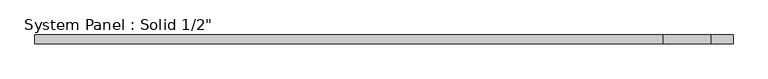
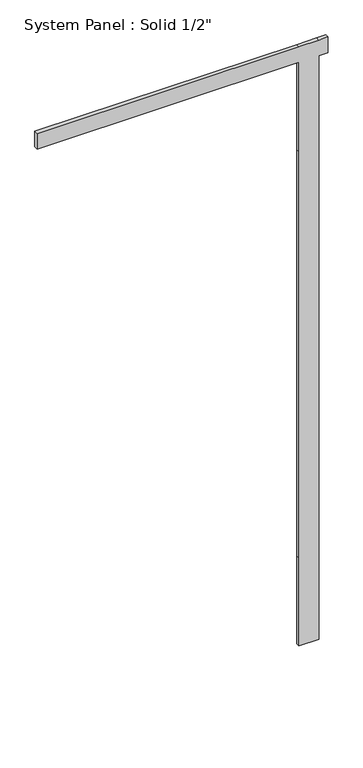
"""IFC4 building model written with IfcOpenShell, lengths in millimetres: plate geometry."""

import ifcopenshell
import ifcopenshell.guid

model = None  # the IFC model being written
_history = None  # IfcOwnerHistory: only IFC2X3 demands one
_inside = {}  # id of a spatial element -> (the spatial element, [elements in it])
_under = {}  # id of a project, library or spatial element -> (it, [spatial elements below it])
_declared = {}  # id of a project -> (the project, [libraries it declares])
_typed = {}  # id of a type object -> (the type object, [elements of that type])
_made_of = {}  # id of a material, layer set ... -> (it, [elements and type objects made of it])


def new_model(schema):
    """Start an empty IFC model of exactly this schema.

    Asked for "IFC4X3", IfcOpenShell would pick the latest addendum, in which some entities
    have other attributes; the version numbers below select the first issue.
    IFC2X3 requires an IfcOwnerHistory on every rooted entity: one is made here for all.
    """
    global model, _history
    if schema == "IFC4X3":
        model = ifcopenshell.file(schema_version=(4, 3, 0, 0))
    else:
        model = ifcopenshell.file(schema=schema)
    _inside.clear()
    _under.clear()
    _declared.clear()
    _typed.clear()
    _made_of.clear()
    _history = None
    if model.schema == "IFC2X3":
        org = make("IfcOrganization", Name="unknown")
        user = make(
            "IfcPersonAndOrganization",
            ThePerson=make("IfcPerson", FamilyName="unknown"),
            TheOrganization=org,
        )
        app = make(
            "IfcApplication",
            ApplicationDeveloper=org,
            Version="unknown",
            ApplicationFullName="unknown",
            ApplicationIdentifier="unknown",
        )
        _history = make(
            "IfcOwnerHistory",
            OwningUser=user,
            OwningApplication=app,
            ChangeAction="ADDED",
            CreationDate=0,
        )
    return model


def make(cls, **values):
    """One entity of the class cls with the attributes given. An attribute that is None is left unset."""
    return model.create_entity(
        cls, **{name: value for name, value in values.items() if value is not None}
    )


def rooted(cls, **values):
    """An entity with a GlobalId (a new one), such as an element, a storey or a relation."""
    return make(cls, GlobalId=ifcopenshell.guid.new(), OwnerHistory=_history, **values)


def si_unit(unit_type, name, prefix=None):
    """IfcSIUnit, for example si_unit("LENGTHUNIT", "METRE", prefix="MILLI")."""
    return make("IfcSIUnit", UnitType=unit_type, Prefix=prefix, Name=name)


def assignment(units):
    """IfcUnitAssignment: the units of a project."""
    return None if units is None else make("IfcUnitAssignment", Units=units)


def point(xyz):
    """IfcCartesianPoint."""
    return None if xyz is None else make("IfcCartesianPoint", Coordinates=xyz)


def direction(xyz):
    """IfcDirection."""
    return None if xyz is None else make("IfcDirection", DirectionRatios=xyz)


def frame(location, z_axis=None, x_axis=None):
    """IfcAxis2Placement3D, a coordinate frame: its origin and axes. An axis left out is left unset."""
    return make(
        "IfcAxis2Placement3D",
        Location=point(location),
        Axis=direction(z_axis),
        RefDirection=direction(x_axis),
    )


def origin():
    """The frame at (0, 0, 0) with its axes left unset."""
    return frame((0.0, 0.0, 0.0))


def place(relative_to, where):
    """IfcLocalPlacement: puts the frame where relative to a parent placement (None: the world)."""
    return make(
        "IfcLocalPlacement", PlacementRelTo=relative_to, RelativePlacement=where
    )


def context(
    kind, dimensions, precision=None, world=None, true_north=None, identifier=None
):
    """IfcGeometricRepresentationContext, for example the 3D "Model" context."""
    return make(
        "IfcGeometricRepresentationContext",
        ContextIdentifier=identifier,
        ContextType=kind,
        CoordinateSpaceDimension=dimensions,
        Precision=precision,
        WorldCoordinateSystem=world,
        TrueNorth=true_north,
    )


def project(units=None, contexts=None):
    """IfcProject with its units and contexts."""
    return rooted(
        "IfcProject",
        Name="project",
        RepresentationContexts=contexts,
        UnitsInContext=assignment(units),
    )


def spatial(cls, under=None, at=None, **own):
    """A site, building, storey or space (cls), placed at a placement, below another one or the project."""
    s = rooted(cls, ObjectPlacement=at, **own)
    if under is not None:
        _under.setdefault(under.id(), (under, []))[1].append(s)
    return s


def polyline(points):
    """IfcPolyline through the points."""
    return make("IfcPolyline", Points=[point(p) for p in points])


def outline(outer, holes=None, kind="AREA"):
    """IfcArbitraryClosedProfileDef: a profile drawn as a closed curve; with holes, ...WithVoids."""
    if holes is None:
        return make("IfcArbitraryClosedProfileDef", ProfileType=kind, OuterCurve=outer)
    return make(
        "IfcArbitraryProfileDefWithVoids",
        ProfileType=kind,
        OuterCurve=outer,
        InnerCurves=holes,
    )


def extrude(swept, where, along, depth):
    """IfcExtrudedAreaSolid: the profile swept, set in the frame where, extruded along a direction by depth."""
    return make(
        "IfcExtrudedAreaSolid",
        SweptArea=swept,
        Position=where,
        ExtrudedDirection=direction(along),
        Depth=depth,
    )


def shape(context_of_items, identifier, shape_type, items):
    """IfcShapeRepresentation: the items that make up one representation, for example the "Body"."""
    return make(
        "IfcShapeRepresentation",
        ContextOfItems=context_of_items,
        RepresentationIdentifier=identifier,
        RepresentationType=shape_type,
        Items=items,
    )


def source(mapping_origin, context_of_items, identifier, shape_type, items):
    """IfcRepresentationMap: a shape defined once, which mapped items show again and again."""
    return make(
        "IfcRepresentationMap",
        MappingOrigin=mapping_origin,
        MappedRepresentation=shape(context_of_items, identifier, shape_type, items),
    )


def transform(
    local_origin,
    x_axis=None,
    y_axis=None,
    z_axis=None,
    scale=None,
    scale2=None,
    scale3=None,
    uniform=True,
):
    """IfcCartesianTransformationOperator3D, or its non-uniform kind. x_axis, y_axis, z_axis: its Axis1, 2, 3."""
    if uniform:
        return make(
            "IfcCartesianTransformationOperator3D",
            Axis1=direction(x_axis),
            Axis2=direction(y_axis),
            LocalOrigin=point(local_origin),
            Scale=scale,
            Axis3=direction(z_axis),
        )
    return make(
        "IfcCartesianTransformationOperator3DnonUniform",
        Axis1=direction(x_axis),
        Axis2=direction(y_axis),
        LocalOrigin=point(local_origin),
        Scale=scale,
        Axis3=direction(z_axis),
        Scale2=scale2,
        Scale3=scale3,
    )


def mapped(mapping_source, mapping_target):
    """IfcMappedItem: shows the shape of a source again, moved by a transform."""
    return make(
        "IfcMappedItem", MappingSource=mapping_source, MappingTarget=mapping_target
    )


def made_of(thing, what):
    """Note that an element or type object is made of a material, layer set ...; save() writes the relation."""
    if what is not None:
        _made_of.setdefault(what.id(), (what, []))[1].append(thing)
    return thing


def element(
    cls,
    number,
    at=None,
    inside=None,
    cuts=None,
    type_object=None,
    material=None,
    context=None,
    identifier="Body",
    shape_type=None,
    held_by="IfcProductDefinitionShape",
    body=None,
    shapes=None,
    **own,
):
    """One element of the class cls, such as IfcWall. Its Tag is "e" and its number.

    at: its placement. inside: the storey or other place that contains it. cuts: it is an
    opening in that element (IfcRelVoidsElement). A single representation is given by context,
    identifier, shape_type and body (its items); several are given by shapes. held_by: the class
    of the entity that holds the representations. save() writes the other relations.
    """
    e = rooted(cls, Tag="e%d" % number, ObjectPlacement=at, **own)
    if body is not None:
        shapes = [shape(context, identifier, shape_type, body)]
    if shapes is not None:
        e.Representation = make(held_by, Representations=shapes)
    if inside is not None:
        _inside.setdefault(inside.id(), (inside, []))[1].append(e)
    if cuts is not None:
        rooted(
            "IfcRelVoidsElement", RelatingBuildingElement=cuts, RelatedOpeningElement=e
        )
    if type_object is not None:
        _typed.setdefault(type_object.id(), (type_object, []))[1].append(e)
    return made_of(e, material)


def aggregate(whole, parts):
    """IfcRelAggregates: a whole, such as a stair, and the parts it consists of."""
    return rooted("IfcRelAggregates", RelatingObject=whole, RelatedObjects=parts)


def save(model, path):
    """Write the relations noted so far, then the file.

    IfcRelAggregates (storeys below a building ...), IfcRelContainedInSpatialStructure (elements
    in a storey), IfcRelDefinesByType, IfcRelAssociatesMaterial and IfcRelDeclares: one each for
    every whole, place, type object, material and project.
    """
    for whole, parts in _under.values():
        aggregate(whole, parts)
    for where, things in _inside.values():
        rooted(
            "IfcRelContainedInSpatialStructure",
            RelatedElements=things,
            RelatingStructure=where,
        )
    for kind, things in _typed.values():
        rooted("IfcRelDefinesByType", RelatedObjects=things, RelatingType=kind)
    for what, things in _made_of.values():
        rooted("IfcRelAssociatesMaterial", RelatedObjects=things, RelatingMaterial=what)
    for by, libraries in _declared.values():
        rooted("IfcRelDeclares", RelatingContext=by, RelatedDefinitions=libraries)
    model.write(path)


def plate_1443e32c(model_context):
    return source(origin(), model_context, "Body", "SweptSolid", [
        extrude(outline(polyline([(0.0, 406.4), (0.0, 476.25), (323.85, 476.25), (1822.45, 476.25), (2152.65, 476.25), (2152.65, 508.0), (2209.8, 508.0), (2209.8, 476.25), (2209.8, 406.4), (2209.8, -508.0), (2152.65, -508.0), (2152.65, 406.4), (1822.45, 406.4), (323.85, 406.4), (0.0, 406.4)])), frame((0.0, -6.35, 0.0), z_axis=(0.0, 1.0, 0.0), x_axis=(0.0, 0.0, 1.0)), (0.0, 0.0, 1.0), 12.7),
    ])


if __name__ == "__main__":
    model = new_model("IFC4")
    model_context = context("Model", 3, world=origin())
    ifc_project = project(units=[si_unit("LENGTHUNIT", "METRE", prefix="MILLI")], contexts=[model_context])
    site = spatial("IfcSite", under=ifc_project)
    building = spatial("IfcBuilding", under=site)
    placement = place(None, origin())
    plate_shape = plate_1443e32c(model_context)
    element("IfcPlate", 1, ObjectType="System Panel : Solid 1/2\"", at=placement, inside=building, context=model_context, shape_type="MappedRepresentation", body=[
        mapped(plate_shape, transform((0.0, 0.0, 0.0), x_axis=(1.0, 0.0, 0.0), y_axis=(0.0, 1.0, 0.0), z_axis=(0.0, 0.0, 1.0))),
    ])
    save(model, "model.ifc")
